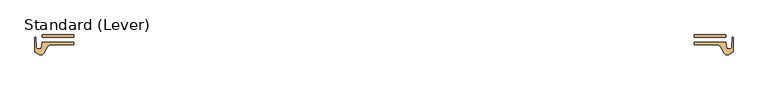
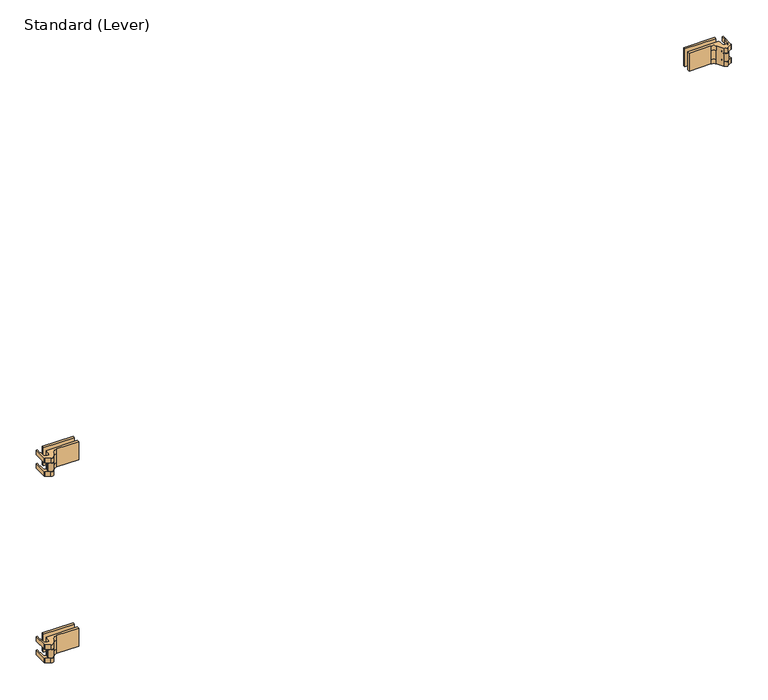
"""IFC4 building model written with IfcOpenShell, lengths in millimetres: door geometry, Standard (Lever)."""

from ifc_helpers import new_model, si_unit, frame, origin, place, context, project, spatial, polyline, circle_curve, outline, extrude, source, transform, mapped, element, save
from ifc_brep_helpers import plane_surface, cylinder_surface, revolved_surface, advanced_brep


def standard_lever_491ef0bf(model_context):
    return source(origin(), model_context, "Body", "SolidModel", [
        advanced_brep(
        [(302.2203125, -23.0182831, 1879.6), (300.0375584, -5.55625, 1879.6), (217.4875, -5.55625, 1879.6), (217.4875, -11.90625, 1879.6), (275.716463, -11.90625, 1879.6), (286.7149856, -18.25625, 1879.6), (296.3384234, -34.9245331, 1879.6), (307.18125, -37.8298597, 1879.6), (317.5, -31.8723266, 1879.6), (319.0875, -29.122696, 1879.6), (319.0875, 7.1442169, 1879.6), (317.08725, 7.1442169, 1879.6), (317.08725, -5.5557831, 1879.6), (315.087, -6.710628, 1879.6), (315.087, -19.8432831, 1879.6), (311.912, -23.0182831, 1879.6), (302.2203125, -23.0182831, 1866.9), (311.912, -23.0182831, 1866.9), (315.087, -19.8432831, 1866.9), (315.087, -6.710628, 1866.9), (317.08725, -5.5557831, 1866.9), (317.08725, 7.1442169, 1866.9), (319.0875, 7.1442169, 1866.9), (319.0875, -29.122696, 1866.9), (317.5, -31.8723266, 1866.9), (307.18125, -37.8298597, 1866.9), (296.3384234, -34.9245331, 1866.9), (302.2279743, -23.0795774, 1865.3125), (302.2279743, -23.0795774, 1843.0875), (302.2279743, -23.0795774, 1841.5), (302.2203125, -23.0182831, 1828.8), (300.0375584, -5.55625, 1828.8), (217.4875, -5.55625, 1828.8), (217.4875, -11.90625, 1828.8), (275.716463, -11.90625, 1828.8), (275.716463, -11.90625, 1841.5), (275.716463, -11.90625, 1866.9), (286.7149856, -18.25625, 1866.9), (286.7149856, -18.25625, 1841.5), (286.7149856, -18.25625, 1828.8), (296.3384234, -34.9245331, 1828.8), (296.3384234, -34.9245331, 1841.5), (296.3384234, -34.9245331, 1843.0875), (296.3384234, -34.9245331, 1865.3125), (295.275, -30.9557831, 1865.3125), (295.275, -30.9557831, 1843.0875), (307.18125, -37.8298597, 1841.5), (317.5, -31.8723266, 1841.5), (319.0875, -29.122696, 1841.5), (319.0875, 7.1442169, 1841.5), (317.08725, 7.1442169, 1841.5), (317.08725, -5.5557831, 1841.5), (315.087, -6.710628, 1841.5), (315.087, -19.8432831, 1841.5), (311.912, -23.0182831, 1841.5), (311.912, -23.0182831, 1828.8), (315.087, -19.8432831, 1828.8), (315.087, -6.710628, 1828.8), (317.08725, -5.5557831, 1828.8), (317.08725, 7.1442169, 1828.8), (319.0875, 7.1442169, 1828.8), (319.0875, -29.122696, 1828.8), (317.5, -31.8723266, 1828.8), (307.18125, -37.8298597, 1828.8), (311.15, -30.9557831, 1865.3125), (306.3875, -30.9557831, 1865.3125), (300.0375, -30.9557831, 1865.3125), (311.15, -30.9557831, 1843.0875), (306.3875, -30.9557831, 1843.0875), (300.0375, -30.9557831, 1843.0875)],
        [
            (0, 1),
            (1, 2),
            (2, 3),
            (3, 4),
            (4, 5, circle_curve(frame((275.716463, -24.60625, 1879.6), z_axis=(0.0, 0.0, -1.0), x_axis=(0.0, 1.0, 0.0)), 12.7)),
            (5, 6),
            (6, 7, circle_curve(frame((303.2125, -30.9557831, 1879.6), z_axis=(0.0, 0.0, 1.0), x_axis=(0.0, 1.0, 0.0)), 7.9375)),
            (7, 8),
            (8, 9, circle_curve(frame((315.9125, -29.122696, 1879.6), z_axis=(0.0, 0.0, 1.0), x_axis=(0.5000000000000575, -0.8660254037844055, 0.0)), 3.175)),
            (9, 10),
            (10, 11),
            (11, 12),
            (12, 13),
            (13, 14),
            (14, 15, circle_curve(frame((311.912, -19.8432831, 1879.6), z_axis=(0.0, 0.0, -1.0), x_axis=(1.0, 0.0, 0.0)), 3.175)),
            (15, 0),
            (16, 17),
            (17, 18, circle_curve(frame((311.912, -19.8432831, 1866.9), z_axis=(0.0, 0.0, 1.0), x_axis=(1.0, 0.0, 0.0)), 3.175)),
            (18, 19),
            (19, 20),
            (20, 21),
            (21, 22),
            (22, 23),
            (23, 24, circle_curve(frame((315.9125, -29.122696, 1866.9), z_axis=(0.0, 0.0, -1.0), x_axis=(0.5000000000000575, -0.8660254037844055, 0.0)), 3.175)),
            (24, 25),
            (25, 26, circle_curve(frame((303.2125, -30.9557831, 1866.9), z_axis=(0.0, 0.0, -1.0), x_axis=(0.0, 1.0, 0.0)), 7.9375)),
            (26, 16, circle_curve(frame((303.2125, -30.9557831, 1866.9), z_axis=(0.0, 0.0, -1.0), x_axis=(0.0, 1.0, 0.0)), 7.9375)),
            (7, 25),
            (24, 8),
            (23, 9),
            (22, 10),
            (21, 11),
            (20, 12),
            (19, 13),
            (18, 14),
            (17, 15),
            (16, 0),
            (16, 27),
            (27, 28),
            (28, 29),
            (29, 30),
            (30, 31),
            (31, 1),
            (31, 32),
            (32, 2),
            (32, 33),
            (33, 3),
            (33, 34),
            (34, 35),
            (35, 36),
            (36, 4),
            (36, 37, circle_curve(frame((275.716463, -24.60625, 1866.9), z_axis=(0.0, 0.0, -1.0), x_axis=(0.0, 1.0, 0.0)), 12.7)),
            (37, 5),
            (37, 38),
            (38, 39),
            (39, 40),
            (40, 41),
            (41, 42),
            (42, 43),
            (43, 26),
            (26, 6),
            (35, 38, circle_curve(frame((275.716463, -24.60625, 1841.5), z_axis=(0.0, 0.0, -1.0), x_axis=(0.0, 1.0, 0.0)), 12.7)),
            (43, 44, circle_curve(frame((303.2125, -30.9557831, 1865.3125), z_axis=(0.0, 0.0, -1.0), x_axis=(0.0, 1.0, 0.0)), 7.9375)),
            (44, 27, circle_curve(frame((303.2125, -30.9557831, 1865.3125), z_axis=(0.0, 0.0, -1.0), x_axis=(0.0, 1.0, 0.0)), 7.9375)),
            (41, 29, circle_curve(frame((303.2125, -30.9557831, 1841.5), z_axis=(0.0, 0.0, -1.0), x_axis=(0.0, 1.0, 0.0)), 7.9375)),
            (28, 45, circle_curve(frame((303.2125, -30.9557831, 1843.0875), z_axis=(0.0, 0.0, 1.0), x_axis=(0.0, 1.0, 0.0)), 7.9375)),
            (45, 42, circle_curve(frame((303.2125, -30.9557831, 1843.0875), z_axis=(0.0, 0.0, 1.0), x_axis=(0.0, 1.0, 0.0)), 7.9375)),
            (41, 46, circle_curve(frame((303.2125, -30.9557831, 1841.5), z_axis=(0.0, 0.0, 1.0), x_axis=(0.0, 1.0, 0.0)), 7.9375)),
            (46, 47),
            (47, 48, circle_curve(frame((315.9125, -29.122696, 1841.5), z_axis=(0.0, 0.0, 1.0), x_axis=(0.5000000000000575, -0.8660254037844055, 0.0)), 3.175)),
            (48, 49),
            (49, 50),
            (50, 51),
            (51, 52),
            (52, 53),
            (53, 54, circle_curve(frame((311.912, -19.8432831, 1841.5), z_axis=(0.0, 0.0, -1.0), x_axis=(1.0, 0.0, 0.0)), 3.175)),
            (54, 29),
            (30, 55),
            (55, 56, circle_curve(frame((311.912, -19.8432831, 1828.8), z_axis=(0.0, 0.0, 1.0), x_axis=(1.0, 0.0, 0.0)), 3.175)),
            (56, 57),
            (57, 58),
            (58, 59),
            (59, 60),
            (60, 61),
            (61, 62, circle_curve(frame((315.9125, -29.122696, 1828.8), z_axis=(0.0, 0.0, -1.0), x_axis=(0.5000000000000575, -0.8660254037844055, 0.0)), 3.175)),
            (62, 63),
            (63, 40, circle_curve(frame((303.2125, -30.9557831, 1828.8), z_axis=(0.0, 0.0, -1.0), x_axis=(0.0, 1.0, 0.0)), 7.9375)),
            (39, 34, circle_curve(frame((275.716463, -24.60625, 1828.8), z_axis=(0.0, 0.0, 1.0), x_axis=(0.0, 1.0, 0.0)), 12.7)),
            (63, 46),
            (62, 47),
            (61, 48),
            (60, 49),
            (59, 50),
            (58, 51),
            (57, 52),
            (56, 53),
            (55, 54),
            (64, 27, circle_curve(frame((303.2125, -30.9557831, 1865.3125), z_axis=(0.0, 0.0, 1.0), x_axis=(-1.0, 0.0, 0.0)), 7.9375)),
            (43, 64, circle_curve(frame((303.2125, -30.9557831, 1865.3125), z_axis=(0.0, 0.0, 1.0), x_axis=(-1.0, 0.0, 0.0)), 7.9375)),
            (65, 66, circle_curve(frame((303.2125, -30.9557831, 1865.3125), z_axis=(0.0, 0.0, -1.0), x_axis=(-1.0, 0.0, 0.0)), 3.175)),
            (66, 65, circle_curve(frame((303.2125, -30.9557831, 1865.3125), z_axis=(0.0, 0.0, -1.0), x_axis=(-1.0, 0.0, 0.0)), 3.175)),
            (28, 67, circle_curve(frame((303.2125, -30.9557831, 1843.0875), z_axis=(0.0, 0.0, -1.0), x_axis=(-1.0, 0.0, 0.0)), 7.9375)),
            (67, 42, circle_curve(frame((303.2125, -30.9557831, 1843.0875), z_axis=(0.0, 0.0, -1.0), x_axis=(-1.0, 0.0, 0.0)), 7.9375)),
            (68, 69, circle_curve(frame((303.2125, -30.9557831, 1843.0875), z_axis=(0.0, 0.0, 1.0), x_axis=(-1.0, 0.0, 0.0)), 3.175)),
            (69, 68, circle_curve(frame((303.2125, -30.9557831, 1843.0875), z_axis=(0.0, 0.0, 1.0), x_axis=(-1.0, 0.0, 0.0)), 3.175)),
            (65, 68),
            (69, 66),
            (64, 67),
        ],
        [
            plane_surface(frame((302.2203125, -23.0182831, 1879.6), z_axis=(0.0, 0.0, 1.0), x_axis=(-0.12403473458190235, 0.9922778767145809, 0.0))),
            plane_surface(frame((302.2203125, -23.0182831, 1866.9), z_axis=(0.0, 0.0, -1.0), x_axis=(0.12403473458190235, -0.9922778767145809, 0.0))),
            plane_surface(frame((307.18125, -37.8298597, 1879.6), z_axis=(0.5000000000001321, -0.8660254037843624, 0.0), x_axis=(0.0, 0.0, -1.0))),
            cylinder_surface(frame((315.9125, -29.122696, 1866.9), z_axis=(0.0, 0.0, 1.0), x_axis=(0.5000000000000575, -0.8660254037844055, 0.0)), 3.175),
            plane_surface(frame((319.0875, -29.122696, 1879.6), z_axis=(1.0, 0.0, 0.0), x_axis=(0.0, 0.0, -1.0))),
            plane_surface(frame((319.0875, 7.1442169, 1879.6), z_axis=(0.0, 1.0, 0.0), x_axis=(0.0, 0.0, -1.0))),
            plane_surface(frame((317.08725, 7.1442169, 1879.6), z_axis=(-1.0, 0.0, 0.0), x_axis=(0.0, 0.0, -1.0))),
            plane_surface(frame((317.08725, -5.5557831, 1879.6), z_axis=(-0.4999999999997088, 0.8660254037846068, 0.0), x_axis=(0.0, 0.0, -1.0))),
            plane_surface(frame((315.087, -6.710628, 1879.6), z_axis=(-1.0, 0.0, 0.0), x_axis=(0.0, 0.0, -1.0))),
            revolved_surface(polyline([(315.087, -19.8432831, 1866.9), (315.087, -19.8432831, 1879.6)]), (311.912, -19.8432831, 1866.9), (0.0, 0.0, -1.0)),
            plane_surface(frame((311.912, -23.0182831, 1879.6), z_axis=(0.0, 1.0, 0.0), x_axis=(0.0, 0.0, -1.0))),
            plane_surface(frame((302.2203125, -23.0182831, 1879.6), z_axis=(0.9922778767145809, 0.12403473458190235, 0.0), x_axis=(0.0, 0.0, -1.0))),
            plane_surface(frame((300.0375584, -5.55625, 1879.6), z_axis=(0.0, 1.0, 0.0), x_axis=(0.0, 0.0, -1.0))),
            plane_surface(frame((217.4875, -5.55625, 1879.6), z_axis=(-1.0, 0.0, 0.0), x_axis=(0.0, 0.0, -1.0))),
            plane_surface(frame((217.4875, -11.90625, 1879.6), z_axis=(0.0, -1.0, 0.0), x_axis=(0.0, 0.0, -1.0))),
            revolved_surface(polyline([(275.716463, -11.90625, 1866.9), (275.716463, -11.90625, 1879.6)]), (275.716463, -24.60625, 1866.9), (0.0, 0.0, -1.0)),
            plane_surface(frame((286.7149856, -18.25625, 1879.6), z_axis=(-0.8660254037845987, -0.49999999999972294, 0.0), x_axis=(0.0, 0.0, -1.0))),
            cylinder_surface(frame((303.2125, -30.9557831, 1866.9), z_axis=(0.0, 0.0, 1.0), x_axis=(0.0, 1.0, 0.0)), 7.9375),
            revolved_surface(polyline([(275.716463, -11.90625, 1841.5), (275.716463, -11.90625, 1866.9)]), (275.716463, -24.60625, 1841.5), (0.0, 0.0, -1.0)),
            revolved_surface(polyline([(303.2125, -23.0182831, 1865.3125), (303.2125, -23.0182831, 1866.9)]), (303.2125, -30.9557831, 1841.5), (0.0, 0.0, -1.0)),
            revolved_surface(polyline([(303.2125, -23.0182831, 1841.5), (303.2125, -23.0182831, 1843.0875)]), (303.2125, -30.9557831, 1841.5), (0.0, 0.0, -1.0)),
            plane_surface(frame((302.2279743, -23.0795774, 1841.5), z_axis=(0.0, 0.0, 1.0), x_axis=(-0.1240347345819024, 0.9922778767145809, 0.0))),
            plane_surface(frame((302.2279743, -23.0795774, 1828.8), z_axis=(0.0, 0.0, -1.0), x_axis=(0.1240347345819024, -0.9922778767145809, 0.0))),
            cylinder_surface(frame((303.2125, -30.9557831, 1828.8), z_axis=(0.0, 0.0, 1.0), x_axis=(0.0, 1.0, 0.0)), 7.9375),
            plane_surface(frame((307.18125, -37.8298597, 1841.5), z_axis=(0.500000000000132, -0.8660254037843624, 0.0), x_axis=(0.0, 0.0, -1.0))),
            cylinder_surface(frame((315.9125, -29.122696, 1828.8), z_axis=(0.0, 0.0, 1.0), x_axis=(0.5000000000000575, -0.8660254037844055, 0.0)), 3.175),
            plane_surface(frame((319.0875, -29.122696, 1841.5), z_axis=(1.0, 0.0, 0.0), x_axis=(0.0, 0.0, -1.0))),
            plane_surface(frame((319.0875, 7.1442169, 1841.5), z_axis=(0.0, 1.0, 0.0), x_axis=(0.0, 0.0, -1.0))),
            plane_surface(frame((317.08725, 7.1442169, 1841.5), z_axis=(-1.0, 0.0, 0.0), x_axis=(0.0, 0.0, -1.0))),
            plane_surface(frame((317.08725, -5.5557831, 1841.5), z_axis=(-0.4999999999997088, 0.8660254037846068, 0.0), x_axis=(0.0, 0.0, -1.0))),
            plane_surface(frame((315.087, -6.710628, 1841.5), z_axis=(-1.0, 0.0, 0.0), x_axis=(0.0, 0.0, -1.0))),
            revolved_surface(polyline([(315.087, -19.8432831, 1828.8), (315.087, -19.8432831, 1841.5)]), (311.912, -19.8432831, 1828.8), (0.0, 0.0, -1.0)),
            plane_surface(frame((311.912, -23.0182831, 1841.5), z_axis=(0.0, 1.0, 0.0), x_axis=(0.0, 0.0, -1.0))),
            revolved_surface(polyline([(275.716463, -11.90625, 1828.8), (275.716463, -11.90625, 1841.5)]), (275.716463, -24.60625, 1828.8), (0.0, 0.0, -1.0)),
            plane_surface(frame((300.0375, -30.9557831, 1865.3125), z_axis=(0.0, 0.0, 1.0), x_axis=(0.0, 1.0, 0.0))),
            plane_surface(frame((300.0375, -30.9557831, 1843.0875), z_axis=(0.0, 0.0, -1.0), x_axis=(0.0, -1.0, 0.0))),
            revolved_surface(polyline([(300.03749999999997, -30.9557831, 1843.0875), (300.03749999999997, -30.9557831, 1865.3125)]), (303.2125, -30.9557831, 1843.0875), (0.0, 0.0, -1.0)),
            cylinder_surface(frame((303.2125, -30.9557831, 1828.8), z_axis=(0.0, 0.0, 1.0), x_axis=(-1.0, 0.0, 0.0)), 7.9375),
        ],
        [
            (0, [[1, 2, 3, 4, 5, 6, 7, 8, 9, 10, 11, 12, 13, 14, 15, 16]]),
            (1, [[17, 18, 19, 20, 21, 22, 23, 24, 25, 26, 27]]),
            (2, [[-8, 28, -25, 29]]),
            (3, [[-9, -29, -24, 30]]),
            (4, [[-10, -30, -23, 31]]),
            (5, [[-11, -31, -22, 32]]),
            (6, [[-12, -32, -21, 33]]),
            (7, [[-13, -33, -20, 34]]),
            (8, [[-14, -34, -19, 35]]),
            (9, [[-15, -35, -18, 36]]),
            (10, [[-16, -36, -17, 37]]),
            (11, [[-1, -37, 38, 39, 40, 41, 42, 43]]),
            (12, [[-2, -43, 44, 45]]),
            (13, [[-3, -45, 46, 47]]),
            (14, [[-4, -47, 48, 49, 50, 51]]),
            (15, [[-5, -51, 52, 53]]),
            (16, [[-6, -53, 54, 55, 56, 57, 58, 59, 60, 61]]),
            (17, [[-7, -61, -26, -28]]),
            (18, [[-50, 62, -54, -52]]),
            (19, [[-27, -60, 63, 64, -38]]),
            (20, [[65, -40, 66, 67, -58]]),
            (21, [[68, 69, 70, 71, 72, 73, 74, 75, 76, 77, -65]]),
            (22, [[78, 79, 80, 81, 82, 83, 84, 85, 86, 87, -56, 88, -48, -46, -44, -42]]),
            (23, [[-68, -57, -87, 89]]),
            (24, [[-69, -89, -86, 90]]),
            (25, [[-70, -90, -85, 91]]),
            (26, [[-71, -91, -84, 92]]),
            (27, [[-72, -92, -83, 93]]),
            (28, [[-73, -93, -82, 94]]),
            (29, [[-74, -94, -81, 95]]),
            (30, [[-75, -95, -80, 96]]),
            (31, [[-76, -96, -79, 97]]),
            (32, [[-77, -97, -78, -41]]),
            (33, [[-88, -55, -62, -49]]),
            (34, [[98, -64, -63, 99], [100, 101]]),
            (35, [[102, 103, -67, -66], [104, 105]]),
            (36, [[-100, 106, -105, 107]]),
            (36, [[-101, -107, -104, -106]]),
            (37, [[108, -102, -39, -98]]),
            (37, [[-108, -99, -59, -103]]),
        ],
    ),
        extrude(outline(polyline([(217.4875, 13.49375), (300.0375, 13.49375), (300.0375, 7.14375), (217.4875, 7.14375), (217.4875, 13.49375)])), frame((0.0, 0.0, 1828.8), z_axis=(0.0, 0.0, 1.0), x_axis=(1.0, 0.0, 0.0)), (0.0, 0.0, 1.0), 50.8),
        advanced_brep(
        [(-1492.8453125, -23.0182831, 1354.6666667), (-1502.537, -23.0182831, 1354.6666667), (-1505.712, -19.8432831, 1354.6666667), (-1505.712, -6.710628, 1354.6666667), (-1507.71225, -5.5557831, 1354.6666667), (-1507.71225, 7.1442169, 1354.6666667), (-1509.7125, 7.1442169, 1354.6666667), (-1509.7125, -29.122696, 1354.6666667), (-1508.125, -31.8723266, 1354.6666667), (-1497.80625, -37.8298597, 1354.6666667), (-1486.9634234, -34.9245331, 1354.6666667), (-1477.3399856, -18.25625, 1354.6666667), (-1466.341463, -11.90625, 1354.6666667), (-1408.1125, -11.90625, 1354.6666667), (-1408.1125, -5.55625, 1354.6666667), (-1490.6625584, -5.55625, 1354.6666667), (-1492.8529743, -23.0795774, 1341.9666667), (-1486.9634234, -34.9245331, 1341.9666667), (-1497.80625, -37.8298597, 1341.9666667), (-1508.125, -31.8723266, 1341.9666667), (-1509.7125, -29.122696, 1341.9666667), (-1509.7125, 7.1442169, 1341.9666667), (-1507.71225, 7.1442169, 1341.9666667), (-1507.71225, -5.5557831, 1341.9666667), (-1505.712, -6.710628, 1341.9666667), (-1505.712, -19.8432831, 1341.9666667), (-1502.537, -23.0182831, 1341.9666667), (-1490.6625584, -5.55625, 1303.8666667), (-1492.8453125, -23.0182831, 1303.8666667), (-1492.8453125, -23.0182831, 1316.5666667), (-1492.8529743, -23.0795774, 1318.1541667), (-1492.8529743, -23.0795774, 1340.3791667), (-1408.1125, -5.55625, 1303.8666667), (-1408.1125, -11.90625, 1303.8666667), (-1466.341463, -11.90625, 1341.9666667), (-1466.341463, -11.90625, 1316.5666667), (-1466.341463, -11.90625, 1303.8666667), (-1477.3399856, -18.25625, 1341.9666667), (-1486.9634234, -34.9245331, 1340.3791667), (-1486.9634234, -34.9245331, 1318.1541667), (-1486.9634234, -34.9245331, 1316.5666667), (-1486.9634234, -34.9245331, 1303.8666667), (-1477.3399856, -18.25625, 1303.8666667), (-1477.3399856, -18.25625, 1316.5666667), (-1485.9, -30.9557831, 1340.3791667), (-1485.9, -30.9557831, 1318.1541667), (-1502.537, -23.0182831, 1316.5666667), (-1505.712, -19.8432831, 1316.5666667), (-1505.712, -6.710628, 1316.5666667), (-1507.71225, -5.5557831, 1316.5666667), (-1507.71225, 7.1442169, 1316.5666667), (-1509.7125, 7.1442169, 1316.5666667), (-1509.7125, -29.122696, 1316.5666667), (-1508.125, -31.8723266, 1316.5666667), (-1497.80625, -37.8298597, 1316.5666667), (-1497.80625, -37.8298597, 1303.8666667), (-1508.125, -31.8723266, 1303.8666667), (-1509.7125, -29.122696, 1303.8666667), (-1509.7125, 7.1442169, 1303.8666667), (-1507.71225, 7.1442169, 1303.8666667), (-1507.71225, -5.5557831, 1303.8666667), (-1505.712, -6.710628, 1303.8666667), (-1505.712, -19.8432831, 1303.8666667), (-1502.537, -23.0182831, 1303.8666667), (-1501.775, -30.9557831, 1340.3791667), (-1497.0125, -30.9557831, 1340.3791667), (-1490.6625, -30.9557831, 1340.3791667), (-1501.775, -30.9557831, 1318.1541667), (-1497.0125, -30.9557831, 1318.1541667), (-1490.6625, -30.9557831, 1318.1541667)],
        [
            (0, 1),
            (1, 2, circle_curve(frame((-1502.537, -19.8432831, 1354.6666667), z_axis=(0.0, 0.0, -1.0), x_axis=(-1.0, 0.0, 0.0)), 3.175)),
            (2, 3),
            (3, 4),
            (4, 5),
            (5, 6),
            (6, 7),
            (7, 8, circle_curve(frame((-1506.5375, -29.122696, 1354.6666667), z_axis=(0.0, 0.0, 1.0), x_axis=(-0.5000000000000575, -0.8660254037844055, 0.0)), 3.175)),
            (8, 9),
            (9, 10, circle_curve(frame((-1493.8375, -30.9557831, 1354.6666667), z_axis=(0.0, 0.0, 1.0), x_axis=(0.0, 1.0, 0.0)), 7.9375)),
            (10, 11),
            (11, 12, circle_curve(frame((-1466.341463, -24.60625, 1354.6666667), z_axis=(0.0, 0.0, -1.0), x_axis=(0.0, 1.0, 0.0)), 12.7)),
            (12, 13),
            (13, 14),
            (14, 15),
            (15, 0),
            (16, 17, circle_curve(frame((-1493.8375, -30.9557831, 1341.9666667), z_axis=(0.0, 0.0, -1.0), x_axis=(0.0, 1.0, 0.0)), 7.9375)),
            (17, 18, circle_curve(frame((-1493.8375, -30.9557831, 1341.9666667), z_axis=(0.0, 0.0, -1.0), x_axis=(0.0, 1.0, 0.0)), 7.9375)),
            (18, 19),
            (19, 20, circle_curve(frame((-1506.5375, -29.122696, 1341.9666667), z_axis=(0.0, 0.0, -1.0), x_axis=(-0.5000000000000575, -0.8660254037844055, 0.0)), 3.175)),
            (20, 21),
            (21, 22),
            (22, 23),
            (23, 24),
            (24, 25),
            (25, 26, circle_curve(frame((-1502.537, -19.8432831, 1341.9666667), z_axis=(0.0, 0.0, 1.0), x_axis=(-1.0, 0.0, 0.0)), 3.175)),
            (26, 16),
            (8, 19),
            (18, 9),
            (7, 20),
            (6, 21),
            (5, 22),
            (4, 23),
            (3, 24),
            (2, 25),
            (1, 26),
            (0, 16),
            (15, 27),
            (27, 28),
            (28, 29),
            (29, 30),
            (30, 31),
            (31, 16),
            (14, 32),
            (32, 27),
            (13, 33),
            (33, 32),
            (12, 34),
            (34, 35),
            (35, 36),
            (36, 33),
            (11, 37),
            (37, 34, circle_curve(frame((-1466.341463, -24.60625, 1341.9666667), z_axis=(0.0, 0.0, -1.0), x_axis=(0.0, 1.0, 0.0)), 12.7)),
            (10, 17),
            (17, 38),
            (38, 39),
            (39, 40),
            (40, 41),
            (41, 42),
            (42, 43),
            (43, 37),
            (43, 35, circle_curve(frame((-1466.341463, -24.60625, 1316.5666667), z_axis=(0.0, 0.0, -1.0), x_axis=(0.0, 1.0, 0.0)), 12.7)),
            (31, 44, circle_curve(frame((-1493.8375, -30.9557831, 1340.3791667), z_axis=(0.0, 0.0, -1.0), x_axis=(0.0, 1.0, 0.0)), 7.9375)),
            (44, 38, circle_curve(frame((-1493.8375, -30.9557831, 1340.3791667), z_axis=(0.0, 0.0, -1.0), x_axis=(0.0, 1.0, 0.0)), 7.9375)),
            (39, 45, circle_curve(frame((-1493.8375, -30.9557831, 1318.1541667), z_axis=(0.0, 0.0, 1.0), x_axis=(0.0, 1.0, 0.0)), 7.9375)),
            (45, 30, circle_curve(frame((-1493.8375, -30.9557831, 1318.1541667), z_axis=(0.0, 0.0, 1.0), x_axis=(0.0, 1.0, 0.0)), 7.9375)),
            (29, 40, circle_curve(frame((-1493.8375, -30.9557831, 1316.5666667), z_axis=(0.0, 0.0, -1.0), x_axis=(0.0, 1.0, 0.0)), 7.9375)),
            (29, 46),
            (46, 47, circle_curve(frame((-1502.537, -19.8432831, 1316.5666667), z_axis=(0.0, 0.0, -1.0), x_axis=(-1.0, 0.0, 0.0)), 3.175)),
            (47, 48),
            (48, 49),
            (49, 50),
            (50, 51),
            (51, 52),
            (52, 53, circle_curve(frame((-1506.5375, -29.122696, 1316.5666667), z_axis=(0.0, 0.0, 1.0), x_axis=(-0.5000000000000575, -0.8660254037844055, 0.0)), 3.175)),
            (53, 54),
            (54, 40, circle_curve(frame((-1493.8375, -30.9557831, 1316.5666667), z_axis=(0.0, 0.0, 1.0), x_axis=(0.0, 1.0, 0.0)), 7.9375)),
            (36, 42, circle_curve(frame((-1466.341463, -24.60625, 1303.8666667), z_axis=(0.0, 0.0, 1.0), x_axis=(0.0, 1.0, 0.0)), 12.7)),
            (41, 55, circle_curve(frame((-1493.8375, -30.9557831, 1303.8666667), z_axis=(0.0, 0.0, -1.0), x_axis=(0.0, 1.0, 0.0)), 7.9375)),
            (55, 56),
            (56, 57, circle_curve(frame((-1506.5375, -29.122696, 1303.8666667), z_axis=(0.0, 0.0, -1.0), x_axis=(-0.5000000000000575, -0.8660254037844055, 0.0)), 3.175)),
            (57, 58),
            (58, 59),
            (59, 60),
            (60, 61),
            (61, 62),
            (62, 63, circle_curve(frame((-1502.537, -19.8432831, 1303.8666667), z_axis=(0.0, 0.0, 1.0), x_axis=(-1.0, 0.0, 0.0)), 3.175)),
            (63, 28),
            (54, 55),
            (53, 56),
            (52, 57),
            (51, 58),
            (50, 59),
            (49, 60),
            (48, 61),
            (47, 62),
            (46, 63),
            (64, 38, circle_curve(frame((-1493.8375, -30.9557831, 1340.3791667), z_axis=(0.0, 0.0, 1.0), x_axis=(1.0, 0.0, 0.0)), 7.9375)),
            (31, 64, circle_curve(frame((-1493.8375, -30.9557831, 1340.3791667), z_axis=(0.0, 0.0, 1.0), x_axis=(1.0, 0.0, 0.0)), 7.9375)),
            (65, 66, circle_curve(frame((-1493.8375, -30.9557831, 1340.3791667), z_axis=(0.0, 0.0, -1.0), x_axis=(1.0, 0.0, 0.0)), 3.175)),
            (66, 65, circle_curve(frame((-1493.8375, -30.9557831, 1340.3791667), z_axis=(0.0, 0.0, -1.0), x_axis=(1.0, 0.0, 0.0)), 3.175)),
            (39, 67, circle_curve(frame((-1493.8375, -30.9557831, 1318.1541667), z_axis=(0.0, 0.0, -1.0), x_axis=(1.0, 0.0, 0.0)), 7.9375)),
            (67, 30, circle_curve(frame((-1493.8375, -30.9557831, 1318.1541667), z_axis=(0.0, 0.0, -1.0), x_axis=(1.0, 0.0, 0.0)), 7.9375)),
            (68, 69, circle_curve(frame((-1493.8375, -30.9557831, 1318.1541667), z_axis=(0.0, 0.0, 1.0), x_axis=(1.0, 0.0, 0.0)), 3.175)),
            (69, 68, circle_curve(frame((-1493.8375, -30.9557831, 1318.1541667), z_axis=(0.0, 0.0, 1.0), x_axis=(1.0, 0.0, 0.0)), 3.175)),
            (66, 69),
            (68, 65),
            (67, 64),
        ],
        [
            plane_surface(frame((-1492.8453125, -23.0182831, 1354.6666667), z_axis=(0.0, 0.0, 1.0), x_axis=(0.12403473458190235, 0.9922778767145809, 0.0))),
            plane_surface(frame((-1492.8453125, -23.0182831, 1341.9666667), z_axis=(0.0, 0.0, -1.0), x_axis=(-0.12403473458190235, -0.9922778767145809, 0.0))),
            plane_surface(frame((-1497.80625, -37.8298597, 1354.6666667), z_axis=(-0.5000000000001321, -0.8660254037843624, 0.0), x_axis=(0.0, 0.0, -1.0))),
            cylinder_surface(frame((-1506.5375, -29.122696, 1341.9666667), z_axis=(0.0, 0.0, 1.0), x_axis=(-0.5000000000000575, -0.8660254037844055, 0.0)), 3.175),
            plane_surface(frame((-1509.7125, -29.122696, 1354.6666667), z_axis=(-1.0, 0.0, 0.0), x_axis=(0.0, 0.0, -1.0))),
            plane_surface(frame((-1509.7125, 7.1442169, 1354.6666667), z_axis=(0.0, 1.0, 0.0), x_axis=(0.0, 0.0, -1.0))),
            plane_surface(frame((-1507.71225, 7.1442169, 1354.6666667), z_axis=(1.0, 0.0, 0.0), x_axis=(0.0, 0.0, -1.0))),
            plane_surface(frame((-1507.71225, -5.5557831, 1354.6666667), z_axis=(0.4999999999997088, 0.8660254037846068, 0.0), x_axis=(0.0, 0.0, -1.0))),
            plane_surface(frame((-1505.712, -6.710628, 1354.6666667), z_axis=(1.0, 0.0, 0.0), x_axis=(0.0, 0.0, -1.0))),
            revolved_surface(polyline([(-1505.712, -19.8432831, 1341.9666667), (-1505.712, -19.8432831, 1354.6666667)]), (-1502.537, -19.8432831, 1341.9666667), (0.0, 0.0, -1.0)),
            plane_surface(frame((-1502.537, -23.0182831, 1354.6666667), z_axis=(0.0, 1.0, 0.0), x_axis=(0.0, 0.0, -1.0))),
            plane_surface(frame((-1492.8453125, -23.0182831, 1354.6666667), z_axis=(-0.9922778767145809, 0.12403473458190235, 0.0), x_axis=(0.0, 0.0, -1.0))),
            plane_surface(frame((-1490.6625584, -5.55625, 1354.6666667), z_axis=(0.0, 1.0, 0.0), x_axis=(0.0, 0.0, -1.0))),
            plane_surface(frame((-1408.1125, -5.55625, 1354.6666667), z_axis=(1.0, 0.0, 0.0), x_axis=(0.0, 0.0, -1.0))),
            plane_surface(frame((-1408.1125, -11.90625, 1354.6666667), z_axis=(0.0, -1.0, 0.0), x_axis=(0.0, 0.0, -1.0))),
            revolved_surface(polyline([(-1466.341463, -11.90625, 1341.9666667), (-1466.341463, -11.90625, 1354.6666667)]), (-1466.341463, -24.60625, 1341.9666667), (0.0, 0.0, -1.0)),
            plane_surface(frame((-1477.3399856, -18.25625, 1354.6666667), z_axis=(0.8660254037845987, -0.49999999999972294, 0.0), x_axis=(0.0, 0.0, -1.0))),
            cylinder_surface(frame((-1493.8375, -30.9557831, 1341.9666667), z_axis=(0.0, 0.0, 1.0), x_axis=(0.0, 1.0, 0.0)), 7.9375),
            revolved_surface(polyline([(-1466.341463, -11.90625, 1316.5666667), (-1466.341463, -11.90625, 1341.9666667)]), (-1466.341463, -24.60625, 1316.5666667), (0.0, 0.0, -1.0)),
            revolved_surface(polyline([(-1493.8375, -23.0182831, 1340.3791667), (-1493.8375, -23.0182831, 1341.9666667)]), (-1493.8375, -30.9557831, 1316.5666667), (0.0, 0.0, -1.0)),
            revolved_surface(polyline([(-1493.8375, -23.0182831, 1316.5666667), (-1493.8375, -23.0182831, 1318.1541667)]), (-1493.8375, -30.9557831, 1316.5666667), (0.0, 0.0, -1.0)),
            plane_surface(frame((-1492.8529743, -23.0795774, 1316.5666667), z_axis=(0.0, 0.0, 1.0), x_axis=(0.1240347345819024, 0.9922778767145809, 0.0))),
            plane_surface(frame((-1492.8529743, -23.0795774, 1303.8666667), z_axis=(0.0, 0.0, -1.0), x_axis=(-0.1240347345819024, -0.9922778767145809, 0.0))),
            cylinder_surface(frame((-1493.8375, -30.9557831, 1303.8666667), z_axis=(0.0, 0.0, 1.0), x_axis=(0.0, 1.0, 0.0)), 7.9375),
            plane_surface(frame((-1497.80625, -37.8298597, 1316.5666667), z_axis=(-0.500000000000132, -0.8660254037843624, 0.0), x_axis=(0.0, 0.0, -1.0))),
            cylinder_surface(frame((-1506.5375, -29.122696, 1303.8666667), z_axis=(0.0, 0.0, 1.0), x_axis=(-0.5000000000000575, -0.8660254037844055, 0.0)), 3.175),
            plane_surface(frame((-1509.7125, -29.122696, 1316.5666667), z_axis=(-1.0, 0.0, 0.0), x_axis=(0.0, 0.0, -1.0))),
            plane_surface(frame((-1509.7125, 7.1442169, 1316.5666667), z_axis=(0.0, 1.0, 0.0), x_axis=(0.0, 0.0, -1.0))),
            plane_surface(frame((-1507.71225, 7.1442169, 1316.5666667), z_axis=(1.0, 0.0, 0.0), x_axis=(0.0, 0.0, -1.0))),
            plane_surface(frame((-1507.71225, -5.5557831, 1316.5666667), z_axis=(0.4999999999997088, 0.8660254037846068, 0.0), x_axis=(0.0, 0.0, -1.0))),
            plane_surface(frame((-1505.712, -6.710628, 1316.5666667), z_axis=(1.0, 0.0, 0.0), x_axis=(0.0, 0.0, -1.0))),
            revolved_surface(polyline([(-1505.712, -19.8432831, 1303.8666667), (-1505.712, -19.8432831, 1316.5666667)]), (-1502.537, -19.8432831, 1303.8666667), (0.0, 0.0, -1.0)),
            plane_surface(frame((-1502.537, -23.0182831, 1316.5666667), z_axis=(0.0, 1.0, 0.0), x_axis=(0.0, 0.0, -1.0))),
            revolved_surface(polyline([(-1466.341463, -11.90625, 1303.8666667), (-1466.341463, -11.90625, 1316.5666667)]), (-1466.341463, -24.60625, 1303.8666667), (0.0, 0.0, -1.0)),
            plane_surface(frame((-1490.6625, -30.9557831, 1340.3791667), z_axis=(0.0, 0.0, 1.0), x_axis=(0.0, 1.0, 0.0))),
            plane_surface(frame((-1490.6625, -30.9557831, 1318.1541667), z_axis=(0.0, 0.0, -1.0), x_axis=(0.0, -1.0, 0.0))),
            revolved_surface(polyline([(-1490.6625000000001, -30.9557831, 1318.1541667), (-1490.6625000000001, -30.9557831, 1340.3791667)]), (-1493.8375, -30.9557831, 1318.1541667), (0.0, 0.0, -1.0)),
            cylinder_surface(frame((-1493.8375, -30.9557831, 1303.8666667), z_axis=(0.0, 0.0, 1.0), x_axis=(1.0, 0.0, 0.0)), 7.9375),
        ],
        [
            (0, [[1, 2, 3, 4, 5, 6, 7, 8, 9, 10, 11, 12, 13, 14, 15, 16]]),
            (1, [[17, 18, 19, 20, 21, 22, 23, 24, 25, 26, 27]]),
            (2, [[28, -19, 29, -9]]),
            (3, [[30, -20, -28, -8]]),
            (4, [[31, -21, -30, -7]]),
            (5, [[32, -22, -31, -6]]),
            (6, [[33, -23, -32, -5]]),
            (7, [[34, -24, -33, -4]]),
            (8, [[35, -25, -34, -3]]),
            (9, [[36, -26, -35, -2]]),
            (10, [[37, -27, -36, -1]]),
            (11, [[38, 39, 40, 41, 42, 43, -37, -16]]),
            (12, [[44, 45, -38, -15]]),
            (13, [[46, 47, -44, -14]]),
            (14, [[48, 49, 50, 51, -46, -13]]),
            (15, [[52, 53, -48, -12]]),
            (16, [[54, 55, 56, 57, 58, 59, 60, 61, -52, -11]]),
            (17, [[-29, -18, -54, -10]]),
            (18, [[-53, -61, 62, -49]]),
            (19, [[-43, 63, 64, -55, -17]]),
            (20, [[-57, 65, 66, -41, 67]]),
            (21, [[-67, 68, 69, 70, 71, 72, 73, 74, 75, 76, 77]]),
            (22, [[-39, -45, -47, -51, 78, -59, 79, 80, 81, 82, 83, 84, 85, 86, 87, 88]]),
            (23, [[89, -79, -58, -77]]),
            (24, [[90, -80, -89, -76]]),
            (25, [[91, -81, -90, -75]]),
            (26, [[92, -82, -91, -74]]),
            (27, [[93, -83, -92, -73]]),
            (28, [[94, -84, -93, -72]]),
            (29, [[95, -85, -94, -71]]),
            (30, [[96, -86, -95, -70]]),
            (31, [[97, -87, -96, -69]]),
            (32, [[-40, -88, -97, -68]]),
            (33, [[-50, -62, -60, -78]]),
            (34, [[98, -64, -63, 99], [100, 101]]),
            (35, [[-66, -65, 102, 103], [104, 105]]),
            (36, [[106, -104, 107, -101]]),
            (36, [[-107, -105, -106, -100]]),
            (37, [[-99, -42, -103, 108]]),
            (37, [[-102, -56, -98, -108]]),
        ],
    ),
        extrude(outline(polyline([(-1408.1125, 13.49375), (-1408.1125, 7.14375), (-1490.6625, 7.14375), (-1490.6625, 13.49375), (-1408.1125, 13.49375)])), frame((0.0, 0.0, 1303.8666667), z_axis=(0.0, 0.0, 1.0), x_axis=(1.0, 0.0, 0.0)), (0.0, 0.0, 1.0), 50.8),
        advanced_brep(
        [(-1492.8453125, -23.0182831, 829.7333333), (-1502.537, -23.0182831, 829.7333333), (-1505.712, -19.8432831, 829.7333333), (-1505.712, -6.710628, 829.7333333), (-1507.71225, -5.5557831, 829.7333333), (-1507.71225, 7.1442169, 829.7333333), (-1509.7125, 7.1442169, 829.7333333), (-1509.7125, -29.122696, 829.7333333), (-1508.125, -31.8723266, 829.7333333), (-1497.80625, -37.8298597, 829.7333333), (-1486.9634234, -34.9245331, 829.7333333), (-1477.3399856, -18.25625, 829.7333333), (-1466.341463, -11.90625, 829.7333333), (-1408.1125, -11.90625, 829.7333333), (-1408.1125, -5.55625, 829.7333333), (-1490.6625584, -5.55625, 829.7333333), (-1492.8529743, -23.0795774, 817.0333333), (-1486.9634234, -34.9245331, 817.0333333), (-1497.80625, -37.8298597, 817.0333333), (-1508.125, -31.8723266, 817.0333333), (-1509.7125, -29.122696, 817.0333333), (-1509.7125, 7.1442169, 817.0333333), (-1507.71225, 7.1442169, 817.0333333), (-1507.71225, -5.5557831, 817.0333333), (-1505.712, -6.710628, 817.0333333), (-1505.712, -19.8432831, 817.0333333), (-1502.537, -23.0182831, 817.0333333), (-1490.6625584, -5.55625, 778.9333333), (-1492.8453125, -23.0182831, 778.9333333), (-1492.8453125, -23.0182831, 791.6333333), (-1492.8529743, -23.0795774, 793.2208333), (-1492.8529743, -23.0795774, 815.4458333), (-1408.1125, -5.55625, 778.9333333), (-1408.1125, -11.90625, 778.9333333), (-1466.341463, -11.90625, 817.0333333), (-1466.341463, -11.90625, 791.6333333), (-1466.341463, -11.90625, 778.9333333), (-1477.3399856, -18.25625, 817.0333333), (-1486.9634234, -34.9245331, 815.4458333), (-1486.9634234, -34.9245331, 793.2208333), (-1486.9634234, -34.9245331, 791.6333333), (-1486.9634234, -34.9245331, 778.9333333), (-1477.3399856, -18.25625, 778.9333333), (-1477.3399856, -18.25625, 791.6333333), (-1485.9, -30.9557831, 815.4458333), (-1485.9, -30.9557831, 793.2208333), (-1502.537, -23.0182831, 791.6333333), (-1505.712, -19.8432831, 791.6333333), (-1505.712, -6.710628, 791.6333333), (-1507.71225, -5.5557831, 791.6333333), (-1507.71225, 7.1442169, 791.6333333), (-1509.7125, 7.1442169, 791.6333333), (-1509.7125, -29.122696, 791.6333333), (-1508.125, -31.8723266, 791.6333333), (-1497.80625, -37.8298597, 791.6333333), (-1497.80625, -37.8298597, 778.9333333), (-1508.125, -31.8723266, 778.9333333), (-1509.7125, -29.122696, 778.9333333), (-1509.7125, 7.1442169, 778.9333333), (-1507.71225, 7.1442169, 778.9333333), (-1507.71225, -5.5557831, 778.9333333), (-1505.712, -6.710628, 778.9333333), (-1505.712, -19.8432831, 778.9333333), (-1502.537, -23.0182831, 778.9333333), (-1501.775, -30.9557831, 815.4458333), (-1497.0125, -30.9557831, 815.4458333), (-1490.6625, -30.9557831, 815.4458333), (-1501.775, -30.9557831, 793.2208333), (-1497.0125, -30.9557831, 793.2208333), (-1490.6625, -30.9557831, 793.2208333)],
        [
            (0, 1),
            (1, 2, circle_curve(frame((-1502.537, -19.8432831, 829.7333333), z_axis=(0.0, 0.0, -1.0), x_axis=(-1.0, 0.0, 0.0)), 3.175)),
            (2, 3),
            (3, 4),
            (4, 5),
            (5, 6),
            (6, 7),
            (7, 8, circle_curve(frame((-1506.5375, -29.122696, 829.7333333), z_axis=(0.0, 0.0, 1.0), x_axis=(-0.5000000000000575, -0.8660254037844055, 0.0)), 3.175)),
            (8, 9),
            (9, 10, circle_curve(frame((-1493.8375, -30.9557831, 829.7333333), z_axis=(0.0, 0.0, 1.0), x_axis=(0.0, 1.0, 0.0)), 7.9375)),
            (10, 11),
            (11, 12, circle_curve(frame((-1466.341463, -24.60625, 829.7333333), z_axis=(0.0, 0.0, -1.0), x_axis=(0.0, 1.0, 0.0)), 12.7)),
            (12, 13),
            (13, 14),
            (14, 15),
            (15, 0),
            (16, 17, circle_curve(frame((-1493.8375, -30.9557831, 817.0333333), z_axis=(0.0, 0.0, -1.0), x_axis=(0.0, 1.0, 0.0)), 7.9375)),
            (17, 18, circle_curve(frame((-1493.8375, -30.9557831, 817.0333333), z_axis=(0.0, 0.0, -1.0), x_axis=(0.0, 1.0, 0.0)), 7.9375)),
            (18, 19),
            (19, 20, circle_curve(frame((-1506.5375, -29.122696, 817.0333333), z_axis=(0.0, 0.0, -1.0), x_axis=(-0.5000000000000575, -0.8660254037844055, 0.0)), 3.175)),
            (20, 21),
            (21, 22),
            (22, 23),
            (23, 24),
            (24, 25),
            (25, 26, circle_curve(frame((-1502.537, -19.8432831, 817.0333333), z_axis=(0.0, 0.0, 1.0), x_axis=(-1.0, 0.0, 0.0)), 3.175)),
            (26, 16),
            (8, 19),
            (18, 9),
            (7, 20),
            (6, 21),
            (5, 22),
            (4, 23),
            (3, 24),
            (2, 25),
            (1, 26),
            (0, 16),
            (15, 27),
            (27, 28),
            (28, 29),
            (29, 30),
            (30, 31),
            (31, 16),
            (14, 32),
            (32, 27),
            (13, 33),
            (33, 32),
            (12, 34),
            (34, 35),
            (35, 36),
            (36, 33),
            (11, 37),
            (37, 34, circle_curve(frame((-1466.341463, -24.60625, 817.0333333), z_axis=(0.0, 0.0, -1.0), x_axis=(0.0, 1.0, 0.0)), 12.7)),
            (10, 17),
            (17, 38),
            (38, 39),
            (39, 40),
            (40, 41),
            (41, 42),
            (42, 43),
            (43, 37),
            (43, 35, circle_curve(frame((-1466.341463, -24.60625, 791.6333333), z_axis=(0.0, 0.0, -1.0), x_axis=(0.0, 1.0, 0.0)), 12.7)),
            (31, 44, circle_curve(frame((-1493.8375, -30.9557831, 815.4458333), z_axis=(0.0, 0.0, -1.0), x_axis=(0.0, 1.0, 0.0)), 7.9375)),
            (44, 38, circle_curve(frame((-1493.8375, -30.9557831, 815.4458333), z_axis=(0.0, 0.0, -1.0), x_axis=(0.0, 1.0, 0.0)), 7.9375)),
            (39, 45, circle_curve(frame((-1493.8375, -30.9557831, 793.2208333), z_axis=(0.0, 0.0, 1.0), x_axis=(0.0, 1.0, 0.0)), 7.9375)),
            (45, 30, circle_curve(frame((-1493.8375, -30.9557831, 793.2208333), z_axis=(0.0, 0.0, 1.0), x_axis=(0.0, 1.0, 0.0)), 7.9375)),
            (29, 40, circle_curve(frame((-1493.8375, -30.9557831, 791.6333333), z_axis=(0.0, 0.0, -1.0), x_axis=(0.0, 1.0, 0.0)), 7.9375)),
            (29, 46),
            (46, 47, circle_curve(frame((-1502.537, -19.8432831, 791.6333333), z_axis=(0.0, 0.0, -1.0), x_axis=(-1.0, 0.0, 0.0)), 3.175)),
            (47, 48),
            (48, 49),
            (49, 50),
            (50, 51),
            (51, 52),
            (52, 53, circle_curve(frame((-1506.5375, -29.122696, 791.6333333), z_axis=(0.0, 0.0, 1.0), x_axis=(-0.5000000000000575, -0.8660254037844055, 0.0)), 3.175)),
            (53, 54),
            (54, 40, circle_curve(frame((-1493.8375, -30.9557831, 791.6333333), z_axis=(0.0, 0.0, 1.0), x_axis=(0.0, 1.0, 0.0)), 7.9375)),
            (36, 42, circle_curve(frame((-1466.341463, -24.60625, 778.9333333), z_axis=(0.0, 0.0, 1.0), x_axis=(0.0, 1.0, 0.0)), 12.7)),
            (41, 55, circle_curve(frame((-1493.8375, -30.9557831, 778.9333333), z_axis=(0.0, 0.0, -1.0), x_axis=(0.0, 1.0, 0.0)), 7.9375)),
            (55, 56),
            (56, 57, circle_curve(frame((-1506.5375, -29.122696, 778.9333333), z_axis=(0.0, 0.0, -1.0), x_axis=(-0.5000000000000575, -0.8660254037844055, 0.0)), 3.175)),
            (57, 58),
            (58, 59),
            (59, 60),
            (60, 61),
            (61, 62),
            (62, 63, circle_curve(frame((-1502.537, -19.8432831, 778.9333333), z_axis=(0.0, 0.0, 1.0), x_axis=(-1.0, 0.0, 0.0)), 3.175)),
            (63, 28),
            (54, 55),
            (53, 56),
            (52, 57),
            (51, 58),
            (50, 59),
            (49, 60),
            (48, 61),
            (47, 62),
            (46, 63),
            (64, 38, circle_curve(frame((-1493.8375, -30.9557831, 815.4458333), z_axis=(0.0, 0.0, 1.0), x_axis=(1.0, 0.0, 0.0)), 7.9375)),
            (31, 64, circle_curve(frame((-1493.8375, -30.9557831, 815.4458333), z_axis=(0.0, 0.0, 1.0), x_axis=(1.0, 0.0, 0.0)), 7.9375)),
            (65, 66, circle_curve(frame((-1493.8375, -30.9557831, 815.4458333), z_axis=(0.0, 0.0, -1.0), x_axis=(1.0, 0.0, 0.0)), 3.175)),
            (66, 65, circle_curve(frame((-1493.8375, -30.9557831, 815.4458333), z_axis=(0.0, 0.0, -1.0), x_axis=(1.0, 0.0, 0.0)), 3.175)),
            (39, 67, circle_curve(frame((-1493.8375, -30.9557831, 793.2208333), z_axis=(0.0, 0.0, -1.0), x_axis=(1.0, 0.0, 0.0)), 7.9375)),
            (67, 30, circle_curve(frame((-1493.8375, -30.9557831, 793.2208333), z_axis=(0.0, 0.0, -1.0), x_axis=(1.0, 0.0, 0.0)), 7.9375)),
            (68, 69, circle_curve(frame((-1493.8375, -30.9557831, 793.2208333), z_axis=(0.0, 0.0, 1.0), x_axis=(1.0, 0.0, 0.0)), 3.175)),
            (69, 68, circle_curve(frame((-1493.8375, -30.9557831, 793.2208333), z_axis=(0.0, 0.0, 1.0), x_axis=(1.0, 0.0, 0.0)), 3.175)),
            (66, 69),
            (68, 65),
            (67, 64),
        ],
        [
            plane_surface(frame((-1492.8453125, -23.0182831, 829.7333333), z_axis=(0.0, 0.0, 1.0), x_axis=(0.12403473458190235, 0.9922778767145809, 0.0))),
            plane_surface(frame((-1492.8453125, -23.0182831, 817.0333333), z_axis=(0.0, 0.0, -1.0), x_axis=(-0.12403473458190235, -0.9922778767145809, 0.0))),
            plane_surface(frame((-1497.80625, -37.8298597, 829.7333333), z_axis=(-0.5000000000001321, -0.8660254037843624, 0.0), x_axis=(0.0, 0.0, -1.0))),
            cylinder_surface(frame((-1506.5375, -29.122696, 817.0333333), z_axis=(0.0, 0.0, 1.0), x_axis=(-0.5000000000000575, -0.8660254037844055, 0.0)), 3.175),
            plane_surface(frame((-1509.7125, -29.122696, 829.7333333), z_axis=(-1.0, 0.0, 0.0), x_axis=(0.0, 0.0, -1.0))),
            plane_surface(frame((-1509.7125, 7.1442169, 829.7333333), z_axis=(0.0, 1.0, 0.0), x_axis=(0.0, 0.0, -1.0))),
            plane_surface(frame((-1507.71225, 7.1442169, 829.7333333), z_axis=(1.0, 0.0, 0.0), x_axis=(0.0, 0.0, -1.0))),
            plane_surface(frame((-1507.71225, -5.5557831, 829.7333333), z_axis=(0.4999999999997088, 0.8660254037846068, 0.0), x_axis=(0.0, 0.0, -1.0))),
            plane_surface(frame((-1505.712, -6.710628, 829.7333333), z_axis=(1.0, 0.0, 0.0), x_axis=(0.0, 0.0, -1.0))),
            revolved_surface(polyline([(-1505.712, -19.8432831, 817.0333333), (-1505.712, -19.8432831, 829.7333333)]), (-1502.537, -19.8432831, 817.0333333), (0.0, 0.0, -1.0)),
            plane_surface(frame((-1502.537, -23.0182831, 829.7333333), z_axis=(0.0, 1.0, 0.0), x_axis=(0.0, 0.0, -1.0))),
            plane_surface(frame((-1492.8453125, -23.0182831, 829.7333333), z_axis=(-0.9922778767145809, 0.12403473458190235, 0.0), x_axis=(0.0, 0.0, -1.0))),
            plane_surface(frame((-1490.6625584, -5.55625, 829.7333333), z_axis=(0.0, 1.0, 0.0), x_axis=(0.0, 0.0, -1.0))),
            plane_surface(frame((-1408.1125, -5.55625, 829.7333333), z_axis=(1.0, 0.0, 0.0), x_axis=(0.0, 0.0, -1.0))),
            plane_surface(frame((-1408.1125, -11.90625, 829.7333333), z_axis=(0.0, -1.0, 0.0), x_axis=(0.0, 0.0, -1.0))),
            revolved_surface(polyline([(-1466.341463, -11.90625, 817.0333333), (-1466.341463, -11.90625, 829.7333333)]), (-1466.341463, -24.60625, 817.0333333), (0.0, 0.0, -1.0)),
            plane_surface(frame((-1477.3399856, -18.25625, 829.7333333), z_axis=(0.8660254037845987, -0.49999999999972294, 0.0), x_axis=(0.0, 0.0, -1.0))),
            cylinder_surface(frame((-1493.8375, -30.9557831, 817.0333333), z_axis=(0.0, 0.0, 1.0), x_axis=(0.0, 1.0, 0.0)), 7.9375),
            revolved_surface(polyline([(-1466.341463, -11.90625, 791.6333333), (-1466.341463, -11.90625, 817.0333333)]), (-1466.341463, -24.60625, 791.6333333), (0.0, 0.0, -1.0)),
            revolved_surface(polyline([(-1493.8375, -23.0182831, 815.4458333), (-1493.8375, -23.0182831, 817.0333333)]), (-1493.8375, -30.9557831, 791.6333333), (0.0, 0.0, -1.0)),
            revolved_surface(polyline([(-1493.8375, -23.0182831, 791.6333333), (-1493.8375, -23.0182831, 793.2208333)]), (-1493.8375, -30.9557831, 791.6333333), (0.0, 0.0, -1.0)),
            plane_surface(frame((-1492.8529743, -23.0795774, 791.6333333), z_axis=(0.0, 0.0, 1.0), x_axis=(0.1240347345819024, 0.9922778767145809, 0.0))),
            plane_surface(frame((-1492.8529743, -23.0795774, 778.9333333), z_axis=(0.0, 0.0, -1.0), x_axis=(-0.1240347345819024, -0.9922778767145809, 0.0))),
            cylinder_surface(frame((-1493.8375, -30.9557831, 778.9333333), z_axis=(0.0, 0.0, 1.0), x_axis=(0.0, 1.0, 0.0)), 7.9375),
            plane_surface(frame((-1497.80625, -37.8298597, 791.6333333), z_axis=(-0.500000000000132, -0.8660254037843624, 0.0), x_axis=(0.0, 0.0, -1.0))),
            cylinder_surface(frame((-1506.5375, -29.122696, 778.9333333), z_axis=(0.0, 0.0, 1.0), x_axis=(-0.5000000000000575, -0.8660254037844055, 0.0)), 3.175),
            plane_surface(frame((-1509.7125, -29.122696, 791.6333333), z_axis=(-1.0, 0.0, 0.0), x_axis=(0.0, 0.0, -1.0))),
            plane_surface(frame((-1509.7125, 7.1442169, 791.6333333), z_axis=(0.0, 1.0, 0.0), x_axis=(0.0, 0.0, -1.0))),
            plane_surface(frame((-1507.71225, 7.1442169, 791.6333333), z_axis=(1.0, 0.0, 0.0), x_axis=(0.0, 0.0, -1.0))),
            plane_surface(frame((-1507.71225, -5.5557831, 791.6333333), z_axis=(0.4999999999997088, 0.8660254037846068, 0.0), x_axis=(0.0, 0.0, -1.0))),
            plane_surface(frame((-1505.712, -6.710628, 791.6333333), z_axis=(1.0, 0.0, 0.0), x_axis=(0.0, 0.0, -1.0))),
            revolved_surface(polyline([(-1505.712, -19.8432831, 778.9333333), (-1505.712, -19.8432831, 791.6333333)]), (-1502.537, -19.8432831, 778.9333333), (0.0, 0.0, -1.0)),
            plane_surface(frame((-1502.537, -23.0182831, 791.6333333), z_axis=(0.0, 1.0, 0.0), x_axis=(0.0, 0.0, -1.0))),
            revolved_surface(polyline([(-1466.341463, -11.90625, 778.9333333), (-1466.341463, -11.90625, 791.6333333)]), (-1466.341463, -24.60625, 778.9333333), (0.0, 0.0, -1.0)),
            plane_surface(frame((-1490.6625, -30.9557831, 815.4458333), z_axis=(0.0, 0.0, 1.0), x_axis=(0.0, 1.0, 0.0))),
            plane_surface(frame((-1490.6625, -30.9557831, 793.2208333), z_axis=(0.0, 0.0, -1.0), x_axis=(0.0, -1.0, 0.0))),
            revolved_surface(polyline([(-1490.6625000000001, -30.9557831, 793.2208333), (-1490.6625000000001, -30.9557831, 815.4458333)]), (-1493.8375, -30.9557831, 793.2208333), (0.0, 0.0, -1.0)),
            cylinder_surface(frame((-1493.8375, -30.9557831, 778.9333333), z_axis=(0.0, 0.0, 1.0), x_axis=(1.0, 0.0, 0.0)), 7.9375),
        ],
        [
            (0, [[1, 2, 3, 4, 5, 6, 7, 8, 9, 10, 11, 12, 13, 14, 15, 16]]),
            (1, [[17, 18, 19, 20, 21, 22, 23, 24, 25, 26, 27]]),
            (2, [[28, -19, 29, -9]]),
            (3, [[30, -20, -28, -8]]),
            (4, [[31, -21, -30, -7]]),
            (5, [[32, -22, -31, -6]]),
            (6, [[33, -23, -32, -5]]),
            (7, [[34, -24, -33, -4]]),
            (8, [[35, -25, -34, -3]]),
            (9, [[36, -26, -35, -2]]),
            (10, [[37, -27, -36, -1]]),
            (11, [[38, 39, 40, 41, 42, 43, -37, -16]]),
            (12, [[44, 45, -38, -15]]),
            (13, [[46, 47, -44, -14]]),
            (14, [[48, 49, 50, 51, -46, -13]]),
            (15, [[52, 53, -48, -12]]),
            (16, [[54, 55, 56, 57, 58, 59, 60, 61, -52, -11]]),
            (17, [[-29, -18, -54, -10]]),
            (18, [[-53, -61, 62, -49]]),
            (19, [[-43, 63, 64, -55, -17]]),
            (20, [[-57, 65, 66, -41, 67]]),
            (21, [[-67, 68, 69, 70, 71, 72, 73, 74, 75, 76, 77]]),
            (22, [[-39, -45, -47, -51, 78, -59, 79, 80, 81, 82, 83, 84, 85, 86, 87, 88]]),
            (23, [[89, -79, -58, -77]]),
            (24, [[90, -80, -89, -76]]),
            (25, [[91, -81, -90, -75]]),
            (26, [[92, -82, -91, -74]]),
            (27, [[93, -83, -92, -73]]),
            (28, [[94, -84, -93, -72]]),
            (29, [[95, -85, -94, -71]]),
            (30, [[96, -86, -95, -70]]),
            (31, [[97, -87, -96, -69]]),
            (32, [[-40, -88, -97, -68]]),
            (33, [[-50, -62, -60, -78]]),
            (34, [[98, -64, -63, 99], [100, 101]]),
            (35, [[-66, -65, 102, 103], [104, 105]]),
            (36, [[106, -104, 107, -101]]),
            (36, [[-107, -105, -106, -100]]),
            (37, [[-99, -42, -103, 108]]),
            (37, [[-102, -56, -98, -108]]),
        ],
    ),
        extrude(outline(polyline([(-1408.1125, 13.49375), (-1408.1125, 7.14375), (-1490.6625, 7.14375), (-1490.6625, 13.49375), (-1408.1125, 13.49375)])), frame((0.0, 0.0, 778.9333333), z_axis=(0.0, 0.0, 1.0), x_axis=(1.0, 0.0, 0.0)), (0.0, 0.0, 1.0), 50.8),
    ])


if __name__ == "__main__":
    model = new_model("IFC4")
    model_context = context("Model", 3, world=origin())
    ifc_project = project(units=[si_unit("LENGTHUNIT", "METRE", prefix="MILLI")], contexts=[model_context])
    site = spatial("IfcSite", under=ifc_project)
    building = spatial("IfcBuilding", under=site)
    placement = place(None, origin())
    standard_lever_shape = standard_lever_491ef0bf(model_context)
    element("IfcDoor", 1, ObjectType="Standard (Lever)", at=placement, inside=building, context=model_context, shape_type="MappedRepresentation", body=[
        mapped(standard_lever_shape, transform((0.0, 0.0, 0.0), x_axis=(1.0, 0.0, 0.0), y_axis=(0.0, 1.0, 0.0), z_axis=(0.0, 0.0, 1.0))),
    ])
    save(model, "model.ifc")
